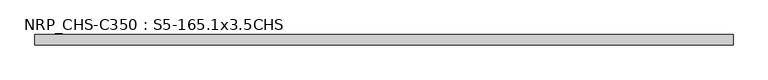
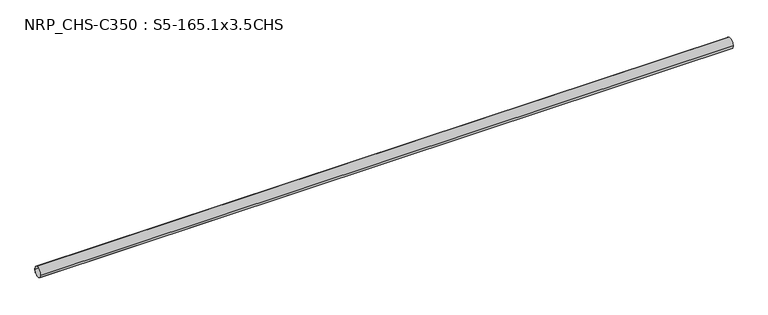
"""IFC4 building model written with IfcOpenShell, lengths in millimetres: beam geometry, NRP_CHS-C350 : S5-165.1x3.5CHS."""

from ifc_helpers import new_model, si_unit, point, frame, origin, origin_2d, place, context, project, spatial, circle_curve, trimmed, segment, composite_curve, outline, extrude, source, transform, mapped, element, save


def nrp_chs_c350_s5_165_1x3_5chs_706c2b2b(model_context):
    return source(origin(), model_context, "Body", "SweptSolid", [
        extrude(outline(composite_curve([segment(trimmed(circle_curve(origin_2d(), 82.55), [point((-82.55, 0.0))], [point((82.55, 0.0))], False, "CARTESIAN"), True, "CONTINUOUS"), segment(trimmed(circle_curve(origin_2d(), 82.55), [point((82.55, 0.0))], [point((-82.55, 0.0))], False, "CARTESIAN"), True, "CONTINUOUS")], self_intersect=False), holes=[composite_curve([segment(trimmed(circle_curve(origin_2d(), 79.05), [point((79.05, 0.0))], [point((-79.05, 0.0))], True, "CARTESIAN"), True, "CONTINUOUS"), segment(trimmed(circle_curve(origin_2d(), 79.05), [point((-79.05, 0.0))], [point((79.05, 0.0))], True, "CARTESIAN"), True, "CONTINUOUS")], self_intersect=False)]), frame((-5532.8, 0.0, 0.0), z_axis=(1.0, 0.0, 0.0), x_axis=(0.0, 1.0, 0.0)), (0.0, 0.0, 1.0), 10949.4),
    ])


if __name__ == "__main__":
    model = new_model("IFC4")
    model_context = context("Model", 3, world=origin())
    ifc_project = project(units=[si_unit("LENGTHUNIT", "METRE", prefix="MILLI")], contexts=[model_context])
    site = spatial("IfcSite", under=ifc_project)
    building = spatial("IfcBuilding", under=site)
    placement = place(None, origin())
    nrp_chs_c350_s5_165_1x3_5chs_shape = nrp_chs_c350_s5_165_1x3_5chs_706c2b2b(model_context)
    element("IfcBeam", 1, ObjectType="NRP_CHS-C350 : S5-165.1x3.5CHS", at=placement, inside=building, context=model_context, shape_type="MappedRepresentation", body=[
        mapped(nrp_chs_c350_s5_165_1x3_5chs_shape, transform((0.0, 0.0, 0.0), x_axis=(1.0, 0.0, 0.0), y_axis=(0.0, 1.0, 0.0), z_axis=(0.0, 0.0, 1.0))),
    ])
    save(model, "model.ifc")
